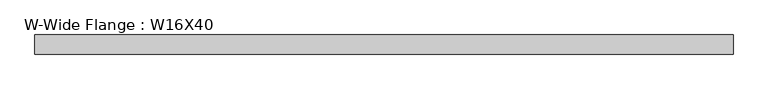
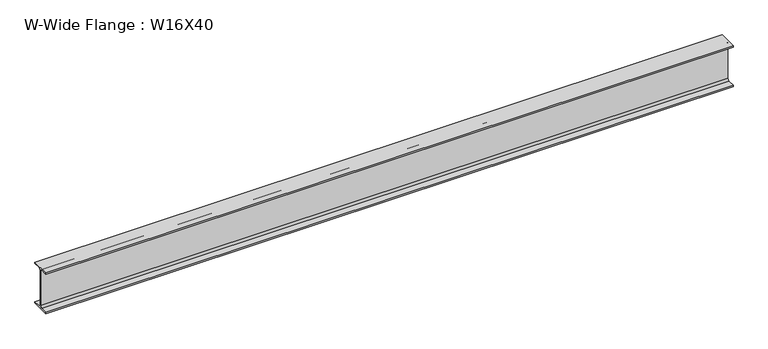
"""IFC4 building model written with IfcOpenShell, lengths in millimetres: beam geometry, W-Wide Flange : W16X40."""

import ifcopenshell
import ifcopenshell.guid

model = None  # the IFC model being written
_history = None  # IfcOwnerHistory: only IFC2X3 demands one
_inside = {}  # id of a spatial element -> (the spatial element, [elements in it])
_under = {}  # id of a project, library or spatial element -> (it, [spatial elements below it])
_declared = {}  # id of a project -> (the project, [libraries it declares])
_typed = {}  # id of a type object -> (the type object, [elements of that type])
_made_of = {}  # id of a material, layer set ... -> (it, [elements and type objects made of it])


def new_model(schema):
    """Start an empty IFC model of exactly this schema.

    Asked for "IFC4X3", IfcOpenShell would pick the latest addendum, in which some entities
    have other attributes; the version numbers below select the first issue.
    IFC2X3 requires an IfcOwnerHistory on every rooted entity: one is made here for all.
    """
    global model, _history
    if schema == "IFC4X3":
        model = ifcopenshell.file(schema_version=(4, 3, 0, 0))
    else:
        model = ifcopenshell.file(schema=schema)
    _inside.clear()
    _under.clear()
    _declared.clear()
    _typed.clear()
    _made_of.clear()
    _history = None
    if model.schema == "IFC2X3":
        org = make("IfcOrganization", Name="unknown")
        user = make(
            "IfcPersonAndOrganization",
            ThePerson=make("IfcPerson", FamilyName="unknown"),
            TheOrganization=org,
        )
        app = make(
            "IfcApplication",
            ApplicationDeveloper=org,
            Version="unknown",
            ApplicationFullName="unknown",
            ApplicationIdentifier="unknown",
        )
        _history = make(
            "IfcOwnerHistory",
            OwningUser=user,
            OwningApplication=app,
            ChangeAction="ADDED",
            CreationDate=0,
        )
    return model


def make(cls, **values):
    """One entity of the class cls with the attributes given. An attribute that is None is left unset."""
    return model.create_entity(
        cls, **{name: value for name, value in values.items() if value is not None}
    )


def rooted(cls, **values):
    """An entity with a GlobalId (a new one), such as an element, a storey or a relation."""
    return make(cls, GlobalId=ifcopenshell.guid.new(), OwnerHistory=_history, **values)


def si_unit(unit_type, name, prefix=None):
    """IfcSIUnit, for example si_unit("LENGTHUNIT", "METRE", prefix="MILLI")."""
    return make("IfcSIUnit", UnitType=unit_type, Prefix=prefix, Name=name)


def assignment(units):
    """IfcUnitAssignment: the units of a project."""
    return None if units is None else make("IfcUnitAssignment", Units=units)


def point(xyz):
    """IfcCartesianPoint."""
    return None if xyz is None else make("IfcCartesianPoint", Coordinates=xyz)


def direction(xyz):
    """IfcDirection."""
    return None if xyz is None else make("IfcDirection", DirectionRatios=xyz)


def frame(location, z_axis=None, x_axis=None):
    """IfcAxis2Placement3D, a coordinate frame: its origin and axes. An axis left out is left unset."""
    return make(
        "IfcAxis2Placement3D",
        Location=point(location),
        Axis=direction(z_axis),
        RefDirection=direction(x_axis),
    )


def frame_2d(location, x_axis=None):
    """IfcAxis2Placement2D, a coordinate frame in the plane: its origin and x axis."""
    return make(
        "IfcAxis2Placement2D", Location=point(location), RefDirection=direction(x_axis)
    )


def origin():
    """The frame at (0, 0, 0) with its axes left unset."""
    return frame((0.0, 0.0, 0.0))


def place(relative_to, where):
    """IfcLocalPlacement: puts the frame where relative to a parent placement (None: the world)."""
    return make(
        "IfcLocalPlacement", PlacementRelTo=relative_to, RelativePlacement=where
    )


def context(
    kind, dimensions, precision=None, world=None, true_north=None, identifier=None
):
    """IfcGeometricRepresentationContext, for example the 3D "Model" context."""
    return make(
        "IfcGeometricRepresentationContext",
        ContextIdentifier=identifier,
        ContextType=kind,
        CoordinateSpaceDimension=dimensions,
        Precision=precision,
        WorldCoordinateSystem=world,
        TrueNorth=true_north,
    )


def project(units=None, contexts=None):
    """IfcProject with its units and contexts."""
    return rooted(
        "IfcProject",
        Name="project",
        RepresentationContexts=contexts,
        UnitsInContext=assignment(units),
    )


def spatial(cls, under=None, at=None, **own):
    """A site, building, storey or space (cls), placed at a placement, below another one or the project."""
    s = rooted(cls, ObjectPlacement=at, **own)
    if under is not None:
        _under.setdefault(under.id(), (under, []))[1].append(s)
    return s


def polyline(points):
    """IfcPolyline through the points."""
    return make("IfcPolyline", Points=[point(p) for p in points])


def circle_curve(where, radius):
    """IfcCircle in the frame where."""
    return make("IfcCircle", Position=where, Radius=radius)


def trimmed(basis, trim1, trim2, sense, master):
    """IfcTrimmedCurve: the piece of a basis curve between two trims."""
    return make(
        "IfcTrimmedCurve",
        BasisCurve=basis,
        Trim1=trim1,
        Trim2=trim2,
        SenseAgreement=sense,
        MasterRepresentation=master,
    )


def segment(curve, same_sense, transition):
    """IfcCompositeCurveSegment."""
    return make(
        "IfcCompositeCurveSegment",
        Transition=transition,
        SameSense=same_sense,
        ParentCurve=curve,
    )


def composite_curve(segments, self_intersect=None):
    """IfcCompositeCurve: segments joined end to end."""
    return make("IfcCompositeCurve", Segments=segments, SelfIntersect=self_intersect)


def outline(outer, holes=None, kind="AREA"):
    """IfcArbitraryClosedProfileDef: a profile drawn as a closed curve; with holes, ...WithVoids."""
    if holes is None:
        return make("IfcArbitraryClosedProfileDef", ProfileType=kind, OuterCurve=outer)
    return make(
        "IfcArbitraryProfileDefWithVoids",
        ProfileType=kind,
        OuterCurve=outer,
        InnerCurves=holes,
    )


def extrude(swept, where, along, depth):
    """IfcExtrudedAreaSolid: the profile swept, set in the frame where, extruded along a direction by depth."""
    return make(
        "IfcExtrudedAreaSolid",
        SweptArea=swept,
        Position=where,
        ExtrudedDirection=direction(along),
        Depth=depth,
    )


def shape(context_of_items, identifier, shape_type, items):
    """IfcShapeRepresentation: the items that make up one representation, for example the "Body"."""
    return make(
        "IfcShapeRepresentation",
        ContextOfItems=context_of_items,
        RepresentationIdentifier=identifier,
        RepresentationType=shape_type,
        Items=items,
    )


def source(mapping_origin, context_of_items, identifier, shape_type, items):
    """IfcRepresentationMap: a shape defined once, which mapped items show again and again."""
    return make(
        "IfcRepresentationMap",
        MappingOrigin=mapping_origin,
        MappedRepresentation=shape(context_of_items, identifier, shape_type, items),
    )


def transform(
    local_origin,
    x_axis=None,
    y_axis=None,
    z_axis=None,
    scale=None,
    scale2=None,
    scale3=None,
    uniform=True,
):
    """IfcCartesianTransformationOperator3D, or its non-uniform kind. x_axis, y_axis, z_axis: its Axis1, 2, 3."""
    if uniform:
        return make(
            "IfcCartesianTransformationOperator3D",
            Axis1=direction(x_axis),
            Axis2=direction(y_axis),
            LocalOrigin=point(local_origin),
            Scale=scale,
            Axis3=direction(z_axis),
        )
    return make(
        "IfcCartesianTransformationOperator3DnonUniform",
        Axis1=direction(x_axis),
        Axis2=direction(y_axis),
        LocalOrigin=point(local_origin),
        Scale=scale,
        Axis3=direction(z_axis),
        Scale2=scale2,
        Scale3=scale3,
    )


def mapped(mapping_source, mapping_target):
    """IfcMappedItem: shows the shape of a source again, moved by a transform."""
    return make(
        "IfcMappedItem", MappingSource=mapping_source, MappingTarget=mapping_target
    )


def made_of(thing, what):
    """Note that an element or type object is made of a material, layer set ...; save() writes the relation."""
    if what is not None:
        _made_of.setdefault(what.id(), (what, []))[1].append(thing)
    return thing


def element(
    cls,
    number,
    at=None,
    inside=None,
    cuts=None,
    type_object=None,
    material=None,
    context=None,
    identifier="Body",
    shape_type=None,
    held_by="IfcProductDefinitionShape",
    body=None,
    shapes=None,
    **own,
):
    """One element of the class cls, such as IfcWall. Its Tag is "e" and its number.

    at: its placement. inside: the storey or other place that contains it. cuts: it is an
    opening in that element (IfcRelVoidsElement). A single representation is given by context,
    identifier, shape_type and body (its items); several are given by shapes. held_by: the class
    of the entity that holds the representations. save() writes the other relations.
    """
    e = rooted(cls, Tag="e%d" % number, ObjectPlacement=at, **own)
    if body is not None:
        shapes = [shape(context, identifier, shape_type, body)]
    if shapes is not None:
        e.Representation = make(held_by, Representations=shapes)
    if inside is not None:
        _inside.setdefault(inside.id(), (inside, []))[1].append(e)
    if cuts is not None:
        rooted(
            "IfcRelVoidsElement", RelatingBuildingElement=cuts, RelatedOpeningElement=e
        )
    if type_object is not None:
        _typed.setdefault(type_object.id(), (type_object, []))[1].append(e)
    return made_of(e, material)


def aggregate(whole, parts):
    """IfcRelAggregates: a whole, such as a stair, and the parts it consists of."""
    return rooted("IfcRelAggregates", RelatingObject=whole, RelatedObjects=parts)


def save(model, path):
    """Write the relations noted so far, then the file.

    IfcRelAggregates (storeys below a building ...), IfcRelContainedInSpatialStructure (elements
    in a storey), IfcRelDefinesByType, IfcRelAssociatesMaterial and IfcRelDeclares: one each for
    every whole, place, type object, material and project.
    """
    for whole, parts in _under.values():
        aggregate(whole, parts)
    for where, things in _inside.values():
        rooted(
            "IfcRelContainedInSpatialStructure",
            RelatedElements=things,
            RelatingStructure=where,
        )
    for kind, things in _typed.values():
        rooted("IfcRelDefinesByType", RelatedObjects=things, RelatingType=kind)
    for what, things in _made_of.values():
        rooted("IfcRelAssociatesMaterial", RelatedObjects=things, RelatingMaterial=what)
    for by, libraries in _declared.values():
        rooted("IfcRelDeclares", RelatingContext=by, RelatedDefinitions=libraries)
    model.write(path)


def w_wide_flange_w16x40_cc1aaa1a(model_context):
    return source(origin(), model_context, "Body", "SweptSolid", [
        extrude(outline(composite_curve([segment(polyline([(88.9, -190.4), (88.9, -203.2), (-88.9, -203.2), (-88.9, -190.4), (-21.25, -190.4)]), True, "CONTINUOUS"), segment(trimmed(circle_curve(frame_2d((-21.25, -173.0)), 17.4), [point((-21.25, -190.4))], [point((-3.85, -173.0))], True, "CARTESIAN"), True, "CONTINUOUS"), segment(polyline([(-3.85, -173.0), (-3.85, 173.0)]), True, "CONTINUOUS"), segment(trimmed(circle_curve(frame_2d((-21.25, 173.0)), 17.4), [point((-3.85, 173.0))], [point((-21.25, 190.4))], True, "CARTESIAN"), True, "CONTINUOUS"), segment(polyline([(-21.25, 190.4), (-88.9, 190.4), (-88.9, 203.2), (88.9, 203.2), (88.9, 190.4), (21.25, 190.4)]), True, "CONTINUOUS"), segment(trimmed(circle_curve(frame_2d((21.25, 173.0)), 17.4), [point((21.25, 190.4))], [point((3.85, 173.0))], True, "CARTESIAN"), True, "CONTINUOUS"), segment(polyline([(3.85, 173.0), (3.85, -173.0)]), True, "CONTINUOUS"), segment(trimmed(circle_curve(frame_2d((21.25, -173.0)), 17.4), [point((3.85, -173.0))], [point((21.25, -190.4))], True, "CARTESIAN"), True, "CONTINUOUS"), segment(polyline([(21.25, -190.4), (88.9, -190.4)]), True, "CONTINUOUS")], self_intersect=False)), frame((-3329.2151772, 0.0, 0.0), z_axis=(1.0, 0.0, 0.0), x_axis=(0.0, 1.0, 0.0)), (0.0, 0.0, 1.0), 6474.1670066),
    ])


if __name__ == "__main__":
    model = new_model("IFC4")
    model_context = context("Model", 3, world=origin())
    ifc_project = project(units=[si_unit("LENGTHUNIT", "METRE", prefix="MILLI")], contexts=[model_context])
    site = spatial("IfcSite", under=ifc_project)
    building = spatial("IfcBuilding", under=site)
    placement = place(None, origin())
    w_wide_flange_w16x40_shape = w_wide_flange_w16x40_cc1aaa1a(model_context)
    element("IfcBeam", 1, ObjectType="W-Wide Flange : W16X40", at=placement, inside=building, context=model_context, shape_type="MappedRepresentation", body=[
        mapped(w_wide_flange_w16x40_shape, transform((0.0, 0.0, 0.0), x_axis=(1.0, 0.0, 0.0), y_axis=(0.0, 1.0, 0.0), z_axis=(0.0, 0.0, 1.0))),
    ])
    save(model, "model.ifc")
